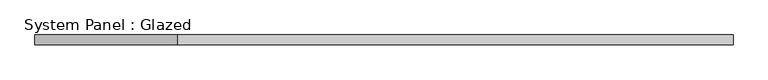
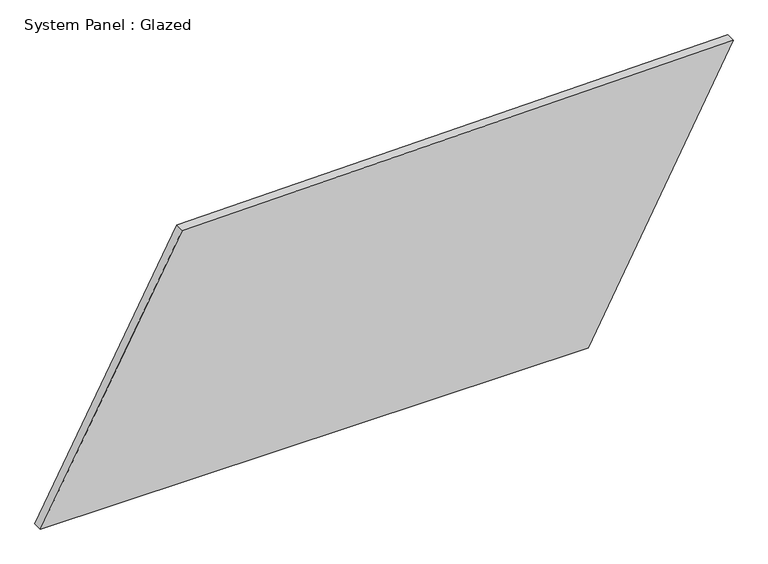
"""IFC4 building model written with IfcOpenShell, lengths in millimetres: plate geometry, System Panel : Glazed."""

from ifc_helpers import new_model, si_unit, frame, origin, place, context, project, spatial, polyline, outline, extrude, source, transform, mapped, element, save


def system_panel_glazed_c484ce8f(model_context):
    return source(origin(), model_context, "Body", "SweptSolid", [
        extrude(outline(polyline([(0.0, -900.9115062), (0.0, 524.2709256), (714.5055976, 900.9115062), (693.467067, -532.488379), (0.0, -900.9115062)])), frame((0.0, -49.5, 0.0), z_axis=(0.0, 1.0, 0.0), x_axis=(0.0, 0.0, 1.0)), (0.0, 0.0, 1.0), 25.0),
    ])


if __name__ == "__main__":
    model = new_model("IFC4")
    model_context = context("Model", 3, world=origin())
    ifc_project = project(units=[si_unit("LENGTHUNIT", "METRE", prefix="MILLI")], contexts=[model_context])
    site = spatial("IfcSite", under=ifc_project)
    building = spatial("IfcBuilding", under=site)
    placement = place(None, origin())
    system_panel_glazed_shape = system_panel_glazed_c484ce8f(model_context)
    element("IfcPlate", 1, ObjectType="System Panel : Glazed", at=placement, inside=building, context=model_context, shape_type="MappedRepresentation", body=[
        mapped(system_panel_glazed_shape, transform((0.0, 0.0, 0.0), x_axis=(1.0, 0.0, 0.0), y_axis=(0.0, 1.0, 0.0), z_axis=(0.0, 0.0, 1.0))),
    ])
    save(model, "model.ifc")
